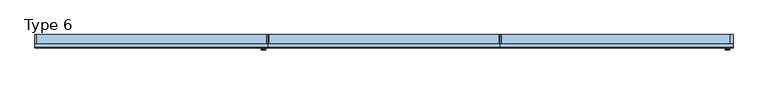
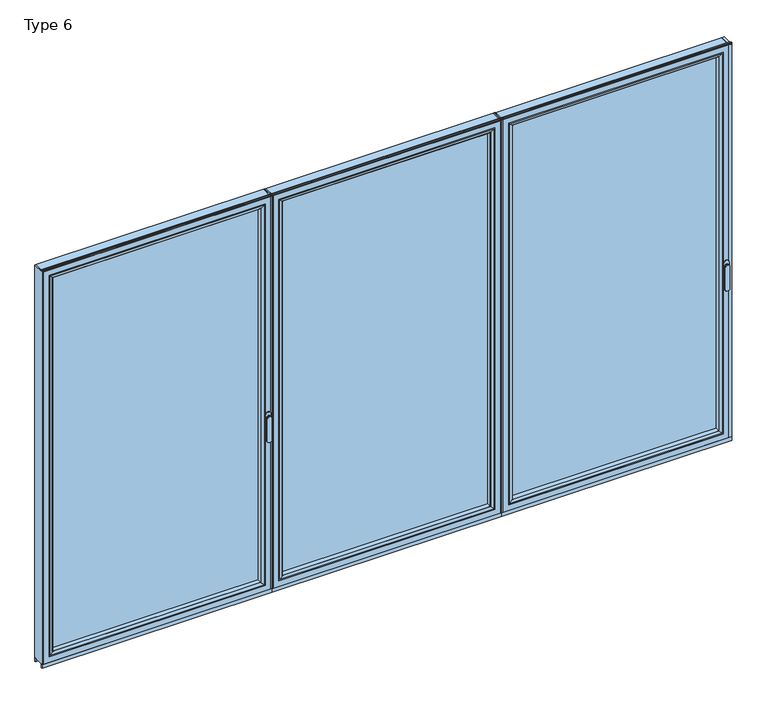
"""IFC4 building model written with IfcOpenShell, lengths in millimetres: window geometry, Type 6."""

from ifc_helpers import new_model, si_unit, point, frame, frame_2d, origin, place, context, project, spatial, polyline, circle_curve, ellipse_curve, trimmed, segment, composite_curve, outline, extrude, source, transform, mapped, element, save
from ifc_brep_helpers import plane_surface, cylinder_surface, extruded_surface, advanced_brep


def type_6_07e09eff(model_context):
    return source(origin(), model_context, "Body", "SolidModel", [
        advanced_brep(
        [(-2579.8552975, -73.5, 1050.0), (-2555.8780359, -73.5, 1050.0), (-2555.8780359, -76.8965533, 1050.0), (-2579.8552975, -76.8965533, 1050.0), (-2579.8552975, -84.5, 1050.0), (-2579.8552975, -84.5, 918.6867153), (-2555.8780359, -84.5, 918.6867153), (-2555.8780359, -84.5, 1050.0), (-2555.8780359, -76.8965533, 918.6867153), (-2579.8552975, -76.8965533, 918.6867153)],
        [
            (0, 1, circle_curve(frame((-2567.8666667, -73.5, 1050.0), z_axis=(0.0, 1.0, 0.0), x_axis=(1.0, 0.0, 0.0)), 11.9886308)),
            (1, 0, circle_curve(frame((-2567.8666667, -73.5, 1050.0), z_axis=(0.0, 1.0, 0.0), x_axis=(1.0, 0.0, 0.0)), 11.9886308)),
            (1, 2),
            (2, 3, circle_curve(frame((-2567.8666667, -76.8965533, 1050.0), z_axis=(0.0, 1.0, 0.0), x_axis=(1.0, 0.0, 0.0)), 11.9886308)),
            (3, 0),
            (3, 2, circle_curve(frame((-2567.8666667, -76.8965533, 1050.0), z_axis=(0.0, 1.0, 0.0), x_axis=(1.0, 0.0, 0.0)), 11.9886308)),
            (4, 5),
            (5, 6, ellipse_curve(frame((-2567.8666667, -84.5, 918.6867153), z_axis=(0.0, -1.0, 0.0), x_axis=(-1.0, 0.0, 0.0)), 11.9886308, 7.9050795)),
            (6, 7),
            (7, 4, circle_curve(frame((-2567.8666667, -84.5, 1050.0), z_axis=(0.0, -1.0, 0.0), x_axis=(1.0, 0.0, 0.0)), 11.9886308)),
            (2, 8),
            (8, 9, ellipse_curve(frame((-2567.8666667, -76.8965533, 918.6867153), z_axis=(0.0, 1.0, 0.0), x_axis=(-1.0, 0.0, 0.0)), 11.9886308, 7.9050795)),
            (9, 3),
            (4, 3),
            (9, 5),
            (8, 6),
            (2, 7),
        ],
        [
            plane_surface(frame((-2555.8780359, -73.5, 1050.0), z_axis=(0.0, 1.0, 0.0), x_axis=(0.0, 0.0, -1.0))),
            cylinder_surface(frame((-2567.8666667, -73.5, 1050.0), z_axis=(0.0, -1.0, 0.0), x_axis=(1.0, 0.0, 0.0)), 11.9886308),
            plane_surface(frame((-2579.8552975, -84.5, 928.3382074), z_axis=(0.0, -1.0, 0.0), x_axis=(0.0, 0.0, -1.0))),
            plane_surface(frame((-2579.8552975, -76.8965533, 928.3382074), z_axis=(0.0, 1.0, 0.0), x_axis=(0.0, 0.0, 1.0))),
            plane_surface(frame((-2579.8552975, -84.5, 1050.0), z_axis=(-1.0, 0.0, 0.0), x_axis=(0.0, 1.0, 0.0))),
            extruded_surface(trimmed(ellipse_curve(frame((-2567.8666667, -69.2931066, 918.6867153), z_axis=(0.0, -1.0, 0.0), x_axis=(-1.0, 0.0, 0.0)), 11.9886308, 7.9050795), [point((-2579.8552975, -69.2931066, 918.6867153))], [point((-2555.8780359, -69.2931066, 918.6867153))], True, "CARTESIAN"), (0.0, -7.603446699999992, 0.0), 7.603446699999992),
            plane_surface(frame((-2555.8780359, -84.5, 918.6867153), z_axis=(1.0, 0.0, 0.0), x_axis=(0.0, 1.0, 0.0))),
            cylinder_surface(frame((-2567.8666667, -76.8965533, 1050.0), z_axis=(0.0, -1.0, 0.0), x_axis=(1.0, 0.0, 0.0)), 11.9886308),
        ],
        [
            (0, [[1, 2]]),
            (1, [[-2, 3, 4, 5]]),
            (1, [[-1, -5, 6, -3]]),
            (2, [[7, 8, 9, 10]]),
            (3, [[11, 12, 13, -4]]),
            (4, [[-7, 14, -13, 15]]),
            (5, [[-8, -15, -12, 16]]),
            (6, [[-9, -16, -11, 17]]),
            (7, [[-10, -17, -6, -14]]),
        ],
    ),
        extrude(outline(composite_curve([segment(polyline([(1068.75, -2581.8666667), (1031.25, -2581.8666667)]), True, "CONTINUOUS"), segment(trimmed(circle_curve(frame_2d((1031.25, -2567.8666667)), 14.0), [point((1031.25, -2581.8666667))], [point((1031.25, -2553.8666667))], False, "CARTESIAN"), True, "CONTINUOUS"), segment(polyline([(1031.25, -2553.8666667), (1068.75, -2553.8666667)]), True, "CONTINUOUS"), segment(trimmed(circle_curve(frame_2d((1068.75, -2567.8666667)), 14.0), [point((1068.75, -2553.8666667))], [point((1068.75, -2581.8666667))], False, "CARTESIAN"), True, "CONTINUOUS")], self_intersect=False)), frame((0.0, -73.5, 0.0), z_axis=(0.0, 1.0, 0.0), x_axis=(0.0, 0.0, 1.0)), (0.0, 0.0, 1.0), 3.5),
        extrude(outline(polyline([(-3818.8, 0.0), (-3812.8, 0.0), (-3812.8, -70.0), (-3818.8, -70.0), (-3818.8, 0.0)])), frame((0.0, 0.0, 37.5), z_axis=(0.0, 0.0, 1.0), x_axis=(1.0, 0.0, 0.0)), (0.0, 0.0, 1.0), 2299.5),
        extrude(outline(polyline([(-2545.8666667, 0.0), (-2545.8666667, -70.0), (-2551.8666667, -70.0), (-2551.8666667, 0.0), (-2545.8666667, 0.0)])), frame((0.0, 0.0, 37.5), z_axis=(0.0, 0.0, 1.0), x_axis=(1.0, 0.0, 0.0)), (0.0, 0.0, 1.0), 2299.5),
        extrude(outline(polyline([(-3780.8, -13.999939), (-2583.8666667, -13.999939), (-2583.8666667, -37.9928974), (-3780.8, -37.9928974), (-3780.8, -13.999939)])), frame((0.0, 0.0, 69.5), z_axis=(0.0, 0.0, 1.0), x_axis=(1.0, 0.0, 0.0)), (0.0, 0.0, 1.0), 2235.5),
        advanced_brep(
        [(-2605.8662394, -64.5552044, 2283.0004272), (-2605.8662394, -37.9928974, 2283.0004272), (-2605.8662394, -37.9928974, 91.4995728), (-2605.8662394, -64.5552044, 91.4995728), (-2583.8666667, -37.9928974, 2305.0), (-2583.8666667, -37.9928974, 69.5), (-3780.8, -37.9928974, 69.5), (-3780.8, -37.9928974, 2305.0), (-3758.8004272, -37.9928974, 2283.0004272), (-3758.8004272, -37.9928974, 91.4995728), (-3758.8004272, -64.5552044, 91.4995728), (-2605.156696, -65.8045072, 2283.7099707), (-2605.156696, -65.8045072, 90.7900293), (-3759.5099707, -65.8045072, 90.7900293), (-2589.8666056, -70.0, 2299.000061), (-2589.8666056, -70.0, 75.499939), (-3774.800061, -70.0, 75.499939), (-3780.8, -70.0, 2305.0), (-3780.8, -70.0, 69.5), (-2583.8666667, -70.0, 69.5), (-2583.8666667, -70.0, 2305.0), (-3774.800061, -70.0, 2299.000061), (-3758.8004272, -64.5552044, 2283.0004272), (-3759.5099707, -65.8045072, 2283.7099707)],
        [
            (0, 1),
            (1, 2),
            (2, 3),
            (3, 0),
            (4, 5),
            (5, 6),
            (6, 7),
            (7, 4),
            (8, 9),
            (9, 2),
            (1, 8),
            (9, 10),
            (10, 3),
            (11, 0, ellipse_curve(frame((-2604.4116355, -64.5552044, 2284.4550312), z_axis=(0.7071067811865475, 0.0, -0.7071067811865475), x_axis=(0.7071067811865474, 0.0, 0.7071067811865476)), 2.0571207, 1.454604)),
            (3, 12, ellipse_curve(frame((-2604.4116355, -64.5552044, 90.0449688), z_axis=(0.7071067811865475, 0.0, 0.7071067811865475), x_axis=(-0.7071067811865474, 0.0, 0.7071067811865476)), 2.0571207, 1.454604)),
            (12, 11),
            (10, 13, ellipse_curve(frame((-3760.2550312, -64.5552044, 90.0449688), z_axis=(0.7071067811865475, 0.0, -0.7071067811865475), x_axis=(0.7071067811865476, 0.0, 0.7071067811865474)), 2.0571207, 1.454604)),
            (13, 12),
            (14, 11, ellipse_curve(frame((-2589.9305412, -40.2735922, 2298.9361254), z_axis=(0.7071067811865475, 0.0, -0.7071067811865475), x_axis=(0.7071067811865474, 0.0, 0.7071067811865476)), 42.0395863, 29.7264765)),
            (12, 15, ellipse_curve(frame((-2589.9305412, -40.2735922, 75.5638746), z_axis=(0.7071067811865475, 0.0, 0.7071067811865475), x_axis=(-0.7071067811865474, 0.0, 0.7071067811865476)), 42.0395863, 29.7264765)),
            (15, 14),
            (13, 16, ellipse_curve(frame((-3774.7361254, -40.2735922, 75.5638746), z_axis=(0.7071067811865475, 0.0, -0.7071067811865475), x_axis=(0.7071067811865476, 0.0, 0.7071067811865474)), 42.0395863, 29.7264765)),
            (16, 15),
            (17, 18),
            (18, 19),
            (19, 20),
            (20, 17),
            (16, 21),
            (21, 14),
            (4, 20),
            (19, 5),
            (18, 6),
            (8, 22),
            (22, 10),
            (22, 23, ellipse_curve(frame((-3760.2550312, -64.5552044, 2284.4550312), z_axis=(-0.7071067811865475, 0.0, -0.7071067811865475), x_axis=(0.7071067811865474, 0.0, -0.7071067811865476)), 2.0571207, 1.454604)),
            (23, 13),
            (23, 21, ellipse_curve(frame((-3774.7361254, -40.2735922, 2298.9361254), z_axis=(-0.7071067811865475, 0.0, -0.7071067811865475), x_axis=(0.7071067811865474, 0.0, -0.7071067811865476)), 42.0395863, 29.7264765)),
            (17, 7),
            (0, 22),
            (11, 23),
        ],
        [
            plane_surface(frame((-2605.8662394, -37.9928974, 2283.0004272), z_axis=(-1.0, 0.0, 0.0), x_axis=(0.0, 0.0, -1.0))),
            plane_surface(frame((-3780.8, -37.9928974, 69.5), z_axis=(0.0, 1.0, 0.0), x_axis=(0.0, 0.0, 1.0))),
            plane_surface(frame((-2605.8662394, -37.9928974, 91.4995728), z_axis=(0.0, 0.0, 1.0), x_axis=(-1.0, 0.0, 0.0))),
            cylinder_surface(frame((-2604.4116355, -64.5552044, 2283.0004272), z_axis=(0.0, 0.0, 1.0), x_axis=(1.0, 0.0, 0.0)), 1.454604),
            cylinder_surface(frame((-2605.8662394, -64.5552044, 90.0449688), z_axis=(1.0, 0.0, 0.0), x_axis=(0.0, 0.0, -1.0)), 1.454604),
            cylinder_surface(frame((-2589.9305412, -40.2735922, 2283.0004272), z_axis=(0.0, 0.0, 1.0), x_axis=(1.0, 0.0, 0.0)), 29.7264765),
            cylinder_surface(frame((-2605.8662394, -40.2735922, 75.5638746), z_axis=(1.0, 0.0, 0.0), x_axis=(0.0, 0.0, -1.0)), 29.7264765),
            plane_surface(frame((-3774.800061, -70.0, 75.499939), z_axis=(0.0, -1.0, 0.0), x_axis=(0.0, 0.0, 1.0))),
            plane_surface(frame((-2583.8666667, -70.0, 2305.0), z_axis=(1.0, 0.0, 0.0), x_axis=(0.0, 0.0, -1.0))),
            plane_surface(frame((-2583.8666667, -70.0, 69.5), z_axis=(0.0, 0.0, -1.0), x_axis=(-1.0, 0.0, 0.0))),
            plane_surface(frame((-3758.8004272, -37.9928974, 91.4995728), z_axis=(1.0, 0.0, 0.0), x_axis=(0.0, 0.0, 1.0))),
            cylinder_surface(frame((-3760.2550312, -64.5552044, 91.4995728), z_axis=(0.0, 0.0, -1.0), x_axis=(-1.0, 0.0, 0.0)), 1.454604),
            cylinder_surface(frame((-3774.7361254, -40.2735922, 91.4995728), z_axis=(0.0, 0.0, -1.0), x_axis=(-1.0, 0.0, 0.0)), 29.7264765),
            plane_surface(frame((-3780.8, -70.0, 69.5), z_axis=(-1.0, 0.0, 0.0), x_axis=(0.0, 0.0, 1.0))),
            plane_surface(frame((-3758.8004272, -37.9928974, 2283.0004272), z_axis=(0.0, 0.0, -1.0), x_axis=(1.0, 0.0, 0.0))),
            cylinder_surface(frame((-3758.8004272, -64.5552044, 2284.4550312), z_axis=(-1.0, 0.0, 0.0), x_axis=(0.0, 0.0, 1.0)), 1.454604),
            cylinder_surface(frame((-3758.8004272, -40.2735922, 2298.9361254), z_axis=(-1.0, 0.0, 0.0), x_axis=(0.0, 0.0, 1.0)), 29.7264765),
            plane_surface(frame((-3780.8, -70.0, 2305.0), z_axis=(0.0, 0.0, 1.0), x_axis=(1.0, 0.0, 0.0))),
        ],
        [
            (0, [[1, 2, 3, 4]]),
            (1, [[5, 6, 7, 8], [9, 10, -2, 11]]),
            (2, [[-3, -10, 12, 13]]),
            (3, [[14, -4, 15, 16]]),
            (4, [[-15, -13, 17, 18]]),
            (5, [[19, -16, 20, 21]]),
            (6, [[-20, -18, 22, 23]]),
            (7, [[24, 25, 26, 27], [-21, -23, 28, 29]]),
            (8, [[30, -26, 31, -5]]),
            (9, [[-31, -25, 32, -6]]),
            (10, [[-12, -9, 33, 34]]),
            (11, [[-17, -34, 35, 36]]),
            (12, [[-22, -36, 37, -28]]),
            (13, [[-32, -24, 38, -7]]),
            (14, [[-33, -11, -1, 39]]),
            (15, [[-35, -39, -14, 40]]),
            (16, [[-37, -40, -19, -29]]),
            (17, [[-38, -27, -30, -8]]),
        ],
    ),
        advanced_brep(
        [(-3812.8, -70.0, 2337.0), (-3812.8, 0.0, 2337.0), (-3812.8, 0.0, 37.5), (-3812.8, -70.0, 37.5), (-2551.8666667, 0.0, 37.5), (-2551.8666667, -70.0, 37.5), (-2551.8666667, 0.0, 2337.0), (-2601.3658567, 0.0, 86.9991901), (-2601.3658567, 0.0, 2287.5008099), (-3763.3008099, 0.0, 2287.5008099), (-3763.3008099, 0.0, 86.9991901), (-2551.8666667, -70.0, 2337.0), (-3780.8, -70.0, 69.5), (-3780.8, -70.0, 2305.0), (-2583.8666667, -70.0, 2305.0), (-2583.8666667, -70.0, 69.5), (-3780.8, -13.999939, 2305.0), (-3780.8, -13.999939, 69.5), (-2583.8666667, -13.999939, 69.5), (-2583.8666667, -13.999939, 2305.0), (-3758.8004272, -13.999939, 91.4995728), (-3758.8004272, -13.999939, 2283.0004272), (-2605.8662394, -13.999939, 2283.0004272), (-2605.8662394, -13.999939, 91.4995728), (-3758.8004272, -4.5004435, 2283.0004272), (-3758.8004272, -4.5004435, 91.4995728), (-2605.8662394, -4.5004435, 91.4995728), (-2605.8662394, -4.5004435, 2283.0004272)],
        [
            (0, 1),
            (1, 2),
            (2, 3),
            (3, 0),
            (2, 4),
            (4, 5),
            (5, 3),
            (1, 6),
            (6, 4),
            (7, 8),
            (8, 9),
            (9, 10),
            (10, 7),
            (6, 11),
            (11, 5),
            (11, 0),
            (12, 13),
            (13, 14),
            (14, 15),
            (15, 12),
            (16, 13),
            (12, 17),
            (17, 16),
            (15, 18),
            (18, 17),
            (14, 19),
            (19, 18),
            (19, 16),
            (20, 21),
            (21, 22),
            (22, 23),
            (23, 20),
            (24, 21),
            (20, 25),
            (25, 24),
            (23, 26),
            (26, 25),
            (22, 27),
            (27, 26),
            (10, 25, ellipse_curve(frame((-3763.3008099, -4.5004435, 86.9991901), z_axis=(0.7071067811865475, 0.0, -0.7071067811865475), x_axis=(-0.7071067811865476, 0.0, -0.7071067811865474)), 6.3645023, 4.5003827)),
            (26, 7, ellipse_curve(frame((-2601.3658567, -4.5004435, 86.9991901), z_axis=(-0.7071067811865475, 0.0, -0.7071067811865475), x_axis=(-0.7071067811865476, 0.0, 0.7071067811865474)), 6.3645023, 4.5003827)),
            (9, 24, ellipse_curve(frame((-3763.3008099, -4.5004435, 2287.5008099), z_axis=(-0.7071067811865475, 0.0, -0.7071067811865475), x_axis=(-0.7071067811865474, 0.0, 0.7071067811865476)), 6.3645023, 4.5003827)),
            (27, 8, ellipse_curve(frame((-2601.3658567, -4.5004435, 2287.5008099), z_axis=(0.7071067811865475, 0.0, -0.7071067811865475), x_axis=(-0.7071067811865474, 0.0, -0.7071067811865476)), 6.3645023, 4.5003827)),
            (24, 27),
        ],
        [
            plane_surface(frame((-3812.8, 0.0, 2337.0), z_axis=(-1.0, 0.0, 0.0), x_axis=(0.0, 0.0, -1.0))),
            plane_surface(frame((-3812.8, 0.0, 37.5), z_axis=(0.0, 0.0, -1.0), x_axis=(1.0, 0.0, 0.0))),
            plane_surface(frame((-3763.3008099, 0.0, 2287.5008099), z_axis=(0.0, 1.0, 0.0), x_axis=(0.0, 0.0, -1.0))),
            plane_surface(frame((-2551.8666667, 0.0, 37.5), z_axis=(1.0, 0.0, 0.0), x_axis=(0.0, 0.0, 1.0))),
            plane_surface(frame((-3812.8, -70.0, 2337.0), z_axis=(0.0, -1.0, 0.0), x_axis=(0.0, 0.0, -1.0))),
            plane_surface(frame((-3780.8, -70.0, 2305.0), z_axis=(1.0, 0.0, 0.0), x_axis=(0.0, 0.0, -1.0))),
            plane_surface(frame((-3780.8, -70.0, 69.5), z_axis=(0.0, 0.0, 1.0), x_axis=(1.0, 0.0, 0.0))),
            plane_surface(frame((-2583.8666667, -70.0, 69.5), z_axis=(-1.0, 0.0, 0.0), x_axis=(0.0, 0.0, 1.0))),
            plane_surface(frame((-3780.8, -13.999939, 2305.0), z_axis=(0.0, -1.0, 0.0), x_axis=(0.0, 0.0, -1.0))),
            plane_surface(frame((-3758.8004272, -13.999939, 2283.0004272), z_axis=(1.0, 0.0, 0.0), x_axis=(0.0, 0.0, -1.0))),
            plane_surface(frame((-3758.8004272, -13.999939, 91.4995728), z_axis=(0.0, 0.0, 1.0), x_axis=(1.0, 0.0, 0.0))),
            plane_surface(frame((-2605.8662394, -13.999939, 91.4995728), z_axis=(-1.0, 0.0, 0.0), x_axis=(0.0, 0.0, 1.0))),
            cylinder_surface(frame((-3818.8, -4.5004435, 86.9991901), z_axis=(-1.0, 0.0, 0.0), x_axis=(0.0, -1.0, 0.0)), 4.5003827),
            cylinder_surface(frame((-3763.3008099, -4.5004435, 2343.0), z_axis=(0.0, 0.0, 1.0), x_axis=(0.0, -1.0, 0.0)), 4.5003827),
            cylinder_surface(frame((-2601.3658567, -4.5004435, 31.5), z_axis=(0.0, 0.0, -1.0), x_axis=(0.0, -1.0, 0.0)), 4.5003827),
            plane_surface(frame((-2551.8666667, 0.0, 2337.0), z_axis=(0.0, 0.0, 1.0), x_axis=(-1.0, 0.0, 0.0))),
            plane_surface(frame((-2583.8666667, -70.0, 2305.0), z_axis=(0.0, 0.0, -1.0), x_axis=(-1.0, 0.0, 0.0))),
            plane_surface(frame((-2605.8662394, -13.999939, 2283.0004272), z_axis=(0.0, 0.0, -1.0), x_axis=(-1.0, 0.0, 0.0))),
            cylinder_surface(frame((-2545.8666667, -4.5004435, 2287.5008099), z_axis=(1.0, 0.0, 0.0), x_axis=(0.0, -1.0, 0.0)), 4.5003827),
        ],
        [
            (0, [[1, 2, 3, 4]]),
            (1, [[-3, 5, 6, 7]]),
            (2, [[-2, 8, 9, -5], [10, 11, 12, 13]]),
            (3, [[-6, -9, 14, 15]]),
            (4, [[-15, 16, -4, -7], [17, 18, 19, 20]]),
            (5, [[21, -17, 22, 23]]),
            (6, [[-22, -20, 24, 25]]),
            (7, [[-24, -19, 26, 27]]),
            (8, [[-27, 28, -23, -25], [29, 30, 31, 32]]),
            (9, [[33, -29, 34, 35]]),
            (10, [[-34, -32, 36, 37]]),
            (11, [[-36, -31, 38, 39]]),
            (12, [[40, -37, 41, -13]]),
            (13, [[42, -35, -40, -12]]),
            (14, [[-41, -39, 43, -10]]),
            (15, [[-14, -8, -1, -16]]),
            (16, [[-26, -18, -21, -28]]),
            (17, [[-38, -30, -33, 44]]),
            (18, [[-43, -44, -42, -11]]),
        ],
    ),
        extrude(outline(polyline([(-3818.8, -7.6000076), (-3818.8, 0.0), (-2545.8666667, 0.0), (-2545.8666667, -7.6000076), (-3818.8, -7.6000076)])), frame((0.0, 0.0, 15.4995117), z_axis=(0.0, 0.0, 1.0), x_axis=(1.0, 0.0, 0.0)), (0.0, 0.0, 1.0), 22.0004883),
        extrude(outline(polyline([(-3818.8, -70.0), (-3818.8, -62.2757497), (-2545.8666667, -62.2757497), (-2545.8666667, -70.0), (-3818.8, -70.0)])), frame((0.0, 0.0, 15.4995117), z_axis=(0.0, 0.0, 1.0), x_axis=(1.0, 0.0, 0.0)), (0.0, 0.0, 1.0), 22.0004883),
        extrude(outline(composite_curve([segment(polyline([(-52.044326, 2339.1400778), (-52.044326, 2337.0), (-70.0, 2337.0), (-71.8735116, 2343.9547971)]), True, "CONTINUOUS"), segment(trimmed(circle_curve(frame_2d((-69.9423544, 2344.4750201)), 2.0), [point((-71.8735116, 2343.9547971))], [point((-71.8738669, 2344.9939222))], False, "CARTESIAN"), True, "CONTINUOUS"), segment(polyline([(-71.8738669, 2344.9939222), (-70.8937897, 2348.6420698), (-70.0, 2348.6420698), (-70.0, 2342.963961), (-68.6363596, 2339.1400778), (-52.044326, 2339.1400778)]), True, "CONTINUOUS")], self_intersect=False)), frame((-3818.8, 0.0, 0.0), z_axis=(1.0, 0.0, 0.0), x_axis=(0.0, 1.0, 0.0)), (0.0, 0.0, 1.0), 1272.9333333),
        advanced_brep(
        [(-42.2886308, -73.5, 1050.0), (-18.3113692, -73.5, 1050.0), (-18.3113692, -76.8965533, 1050.0), (-42.2886308, -76.8965533, 1050.0), (-42.2886308, -84.5, 1050.0), (-42.2886308, -84.5, 918.6867153), (-18.3113692, -84.5, 918.6867153), (-18.3113692, -84.5, 1050.0), (-18.3113692, -76.8965533, 918.6867153), (-42.2886308, -76.8965533, 918.6867153)],
        [
            (0, 1, circle_curve(frame((-30.3, -73.5, 1050.0), z_axis=(0.0, 1.0, 0.0), x_axis=(1.0, 0.0, 0.0)), 11.9886308)),
            (1, 0, circle_curve(frame((-30.3, -73.5, 1050.0), z_axis=(0.0, 1.0, 0.0), x_axis=(1.0, 0.0, 0.0)), 11.9886308)),
            (1, 2),
            (2, 3, circle_curve(frame((-30.3, -76.8965533, 1050.0), z_axis=(0.0, 1.0, 0.0), x_axis=(1.0, 0.0, 0.0)), 11.9886308)),
            (3, 0),
            (3, 2, circle_curve(frame((-30.3, -76.8965533, 1050.0), z_axis=(0.0, 1.0, 0.0), x_axis=(1.0, 0.0, 0.0)), 11.9886308)),
            (4, 5),
            (5, 6, ellipse_curve(frame((-30.3, -84.5, 918.6867153), z_axis=(0.0, -1.0, 0.0), x_axis=(-1.0, 0.0, 0.0)), 11.9886308, 7.9050795)),
            (6, 7),
            (7, 4, circle_curve(frame((-30.3, -84.5, 1050.0), z_axis=(0.0, -1.0, 0.0), x_axis=(1.0, 0.0, 0.0)), 11.9886308)),
            (2, 8),
            (8, 9, ellipse_curve(frame((-30.3, -76.8965533, 918.6867153), z_axis=(0.0, 1.0, 0.0), x_axis=(-1.0, 0.0, 0.0)), 11.9886308, 7.9050795)),
            (9, 3),
            (4, 3),
            (9, 5),
            (8, 6),
            (2, 7),
        ],
        [
            plane_surface(frame((-18.3113692, -73.5, 1050.0), z_axis=(0.0, 1.0, 0.0), x_axis=(0.0, 0.0, -1.0))),
            cylinder_surface(frame((-30.3, -73.5, 1050.0), z_axis=(0.0, -1.0, 0.0), x_axis=(1.0, 0.0, 0.0)), 11.9886308),
            plane_surface(frame((-42.2886308, -84.5, 928.3382074), z_axis=(0.0, -1.0, 0.0), x_axis=(0.0, 0.0, -1.0))),
            plane_surface(frame((-42.2886308, -76.8965533, 928.3382074), z_axis=(0.0, 1.0, 0.0), x_axis=(0.0, 0.0, 1.0))),
            plane_surface(frame((-42.2886308, -84.5, 1050.0), z_axis=(-1.0, 0.0, 0.0), x_axis=(0.0, 1.0, 0.0))),
            extruded_surface(trimmed(ellipse_curve(frame((-30.3, -69.2931066, 918.6867153), z_axis=(0.0, -1.0, 0.0), x_axis=(-1.0, 0.0, 0.0)), 11.9886308, 7.9050795), [point((-42.2886308, -69.2931066, 918.6867153))], [point((-18.3113692, -69.2931066, 918.6867153))], True, "CARTESIAN"), (0.0, -7.603446699999992, 0.0), 7.603446699999992),
            plane_surface(frame((-18.3113692, -84.5, 918.6867153), z_axis=(1.0, 0.0, 0.0), x_axis=(0.0, 1.0, 0.0))),
            cylinder_surface(frame((-30.3, -76.8965533, 1050.0), z_axis=(0.0, -1.0, 0.0), x_axis=(1.0, 0.0, 0.0)), 11.9886308),
        ],
        [
            (0, [[1, 2]]),
            (1, [[-2, 3, 4, 5]]),
            (1, [[-1, -5, 6, -3]]),
            (2, [[7, 8, 9, 10]]),
            (3, [[11, 12, 13, -4]]),
            (4, [[-7, 14, -13, 15]]),
            (5, [[-8, -15, -12, 16]]),
            (6, [[-9, -16, -11, 17]]),
            (7, [[-10, -17, -6, -14]]),
        ],
    ),
        extrude(outline(composite_curve([segment(polyline([(1068.75, -44.3), (1031.25, -44.3)]), True, "CONTINUOUS"), segment(trimmed(circle_curve(frame_2d((1031.25, -30.3)), 14.0), [point((1031.25, -44.3))], [point((1031.25, -16.3))], False, "CARTESIAN"), True, "CONTINUOUS"), segment(polyline([(1031.25, -16.3), (1068.75, -16.3)]), True, "CONTINUOUS"), segment(trimmed(circle_curve(frame_2d((1068.75, -30.3)), 14.0), [point((1068.75, -16.3))], [point((1068.75, -44.3))], False, "CARTESIAN"), True, "CONTINUOUS")], self_intersect=False)), frame((0.0, -73.5, 0.0), z_axis=(0.0, 1.0, 0.0), x_axis=(0.0, 0.0, 1.0)), (0.0, 0.0, 1.0), 3.5),
        extrude(outline(polyline([(-1272.9333333, 0.0), (-1266.9333333, 0.0), (-1266.9333333, -70.0), (-1272.9333333, -70.0), (-1272.9333333, 0.0)])), frame((0.0, 0.0, 37.5), z_axis=(0.0, 0.0, 1.0), x_axis=(1.0, 0.0, 0.0)), (0.0, 0.0, 1.0), 2299.5),
        extrude(outline(polyline([(0.0, 0.0), (0.0, -70.0), (-14.3, -70.0), (-14.3, 0.0), (0.0, 0.0)])), frame((0.0, 0.0, 37.5), z_axis=(0.0, 0.0, 1.0), x_axis=(1.0, 0.0, 0.0)), (0.0, 0.0, 1.0), 2299.5),
        extrude(outline(polyline([(-1234.9333333, -13.999939), (-46.3, -13.999939), (-46.3, -37.9928974), (-1234.9333333, -37.9928974), (-1234.9333333, -13.999939)])), frame((0.0, 0.0, 69.5), z_axis=(0.0, 0.0, 1.0), x_axis=(1.0, 0.0, 0.0)), (0.0, 0.0, 1.0), 2235.5),
        advanced_brep(
        [(-68.2995728, -64.5552044, 2283.0004272), (-68.2995728, -37.9928974, 2283.0004272), (-68.2995728, -37.9928974, 91.4995728), (-68.2995728, -64.5552044, 91.4995728), (-46.3, -37.9928974, 2305.0), (-46.3, -37.9928974, 69.5), (-1234.9333333, -37.9928974, 69.5), (-1234.9333333, -37.9928974, 2305.0), (-1212.9337606, -37.9928974, 2283.0004272), (-1212.9337606, -37.9928974, 91.4995728), (-1212.9337606, -64.5552044, 91.4995728), (-67.5900293, -65.8045072, 2283.7099707), (-67.5900293, -65.8045072, 90.7900293), (-1213.643304, -65.8045072, 90.7900293), (-52.299939, -70.0, 2299.000061), (-52.299939, -70.0, 75.499939), (-1228.9333944, -70.0, 75.499939), (-1234.9333333, -70.0, 2305.0), (-1234.9333333, -70.0, 69.5), (-46.3, -70.0, 69.5), (-46.3, -70.0, 2305.0), (-1228.9333944, -70.0, 2299.000061), (-1212.9337606, -64.5552044, 2283.0004272), (-1213.643304, -65.8045072, 2283.7099707)],
        [
            (0, 1),
            (1, 2),
            (2, 3),
            (3, 0),
            (4, 5),
            (5, 6),
            (6, 7),
            (7, 4),
            (8, 9),
            (9, 2),
            (1, 8),
            (9, 10),
            (10, 3),
            (11, 0, ellipse_curve(frame((-66.8449688, -64.5552044, 2284.4550312), z_axis=(0.7071067811865475, 0.0, -0.7071067811865475), x_axis=(0.7071067811865474, 0.0, 0.7071067811865476)), 2.0571207, 1.454604)),
            (3, 12, ellipse_curve(frame((-66.8449688, -64.5552044, 90.0449688), z_axis=(0.7071067811865475, 0.0, 0.7071067811865475), x_axis=(-0.7071067811865474, 0.0, 0.7071067811865476)), 2.0571207, 1.454604)),
            (12, 11),
            (10, 13, ellipse_curve(frame((-1214.3883645, -64.5552044, 90.0449688), z_axis=(0.7071067811865475, 0.0, -0.7071067811865475), x_axis=(0.7071067811865476, 0.0, 0.7071067811865474)), 2.0571207, 1.454604)),
            (13, 12),
            (14, 11, ellipse_curve(frame((-52.3638746, -40.2735922, 2298.9361254), z_axis=(0.7071067811865475, 0.0, -0.7071067811865475), x_axis=(0.7071067811865474, 0.0, 0.7071067811865476)), 42.0395863, 29.7264765)),
            (12, 15, ellipse_curve(frame((-52.3638746, -40.2735922, 75.5638746), z_axis=(0.7071067811865475, 0.0, 0.7071067811865475), x_axis=(-0.7071067811865474, 0.0, 0.7071067811865476)), 42.0395863, 29.7264765)),
            (15, 14),
            (13, 16, ellipse_curve(frame((-1228.8694588, -40.2735922, 75.5638746), z_axis=(0.7071067811865475, 0.0, -0.7071067811865475), x_axis=(0.7071067811865476, 0.0, 0.7071067811865474)), 42.0395863, 29.7264765)),
            (16, 15),
            (17, 18),
            (18, 19),
            (19, 20),
            (20, 17),
            (16, 21),
            (21, 14),
            (4, 20),
            (19, 5),
            (18, 6),
            (8, 22),
            (22, 10),
            (22, 23, ellipse_curve(frame((-1214.3883645, -64.5552044, 2284.4550312), z_axis=(-0.7071067811865475, 0.0, -0.7071067811865475), x_axis=(0.7071067811865474, 0.0, -0.7071067811865476)), 2.0571207, 1.454604)),
            (23, 13),
            (23, 21, ellipse_curve(frame((-1228.8694588, -40.2735922, 2298.9361254), z_axis=(-0.7071067811865475, 0.0, -0.7071067811865475), x_axis=(0.7071067811865474, 0.0, -0.7071067811865476)), 42.0395863, 29.7264765)),
            (17, 7),
            (0, 22),
            (11, 23),
        ],
        [
            plane_surface(frame((-68.2995728, -37.9928974, 2283.0004272), z_axis=(-1.0, 0.0, 0.0), x_axis=(0.0, 0.0, -1.0))),
            plane_surface(frame((-1234.9333333, -37.9928974, 69.5), z_axis=(0.0, 1.0, 0.0), x_axis=(0.0, 0.0, 1.0))),
            plane_surface(frame((-68.2995728, -37.9928974, 91.4995728), z_axis=(0.0, 0.0, 1.0), x_axis=(-1.0, 0.0, 0.0))),
            cylinder_surface(frame((-66.8449688, -64.5552044, 2283.0004272), z_axis=(0.0, 0.0, 1.0), x_axis=(1.0, 0.0, 0.0)), 1.454604),
            cylinder_surface(frame((-68.2995728, -64.5552044, 90.0449688), z_axis=(1.0, 0.0, 0.0), x_axis=(0.0, 0.0, -1.0)), 1.454604),
            cylinder_surface(frame((-52.3638746, -40.2735922, 2283.0004272), z_axis=(0.0, 0.0, 1.0), x_axis=(1.0, 0.0, 0.0)), 29.7264765),
            cylinder_surface(frame((-68.2995728, -40.2735922, 75.5638746), z_axis=(1.0, 0.0, 0.0), x_axis=(0.0, 0.0, -1.0)), 29.7264765),
            plane_surface(frame((-1228.9333944, -70.0, 75.499939), z_axis=(0.0, -1.0, 0.0), x_axis=(0.0, 0.0, 1.0))),
            plane_surface(frame((-46.3, -70.0, 2305.0), z_axis=(1.0, 0.0, 0.0), x_axis=(0.0, 0.0, -1.0))),
            plane_surface(frame((-46.3, -70.0, 69.5), z_axis=(0.0, 0.0, -1.0), x_axis=(-1.0, 0.0, 0.0))),
            plane_surface(frame((-1212.9337606, -37.9928974, 91.4995728), z_axis=(1.0, 0.0, 0.0), x_axis=(0.0, 0.0, 1.0))),
            cylinder_surface(frame((-1214.3883645, -64.5552044, 91.4995728), z_axis=(0.0, 0.0, -1.0), x_axis=(-1.0, 0.0, 0.0)), 1.454604),
            cylinder_surface(frame((-1228.8694588, -40.2735922, 91.4995728), z_axis=(0.0, 0.0, -1.0), x_axis=(-1.0, 0.0, 0.0)), 29.7264765),
            plane_surface(frame((-1234.9333333, -70.0, 69.5), z_axis=(-1.0, 0.0, 0.0), x_axis=(0.0, 0.0, 1.0))),
            plane_surface(frame((-1212.9337606, -37.9928974, 2283.0004272), z_axis=(0.0, 0.0, -1.0), x_axis=(1.0, 0.0, 0.0))),
            cylinder_surface(frame((-1212.9337606, -64.5552044, 2284.4550312), z_axis=(-1.0, 0.0, 0.0), x_axis=(0.0, 0.0, 1.0)), 1.454604),
            cylinder_surface(frame((-1212.9337606, -40.2735922, 2298.9361254), z_axis=(-1.0, 0.0, 0.0), x_axis=(0.0, 0.0, 1.0)), 29.7264765),
            plane_surface(frame((-1234.9333333, -70.0, 2305.0), z_axis=(0.0, 0.0, 1.0), x_axis=(1.0, 0.0, 0.0))),
        ],
        [
            (0, [[1, 2, 3, 4]]),
            (1, [[5, 6, 7, 8], [9, 10, -2, 11]]),
            (2, [[-3, -10, 12, 13]]),
            (3, [[14, -4, 15, 16]]),
            (4, [[-15, -13, 17, 18]]),
            (5, [[19, -16, 20, 21]]),
            (6, [[-20, -18, 22, 23]]),
            (7, [[24, 25, 26, 27], [-21, -23, 28, 29]]),
            (8, [[30, -26, 31, -5]]),
            (9, [[-31, -25, 32, -6]]),
            (10, [[-12, -9, 33, 34]]),
            (11, [[-17, -34, 35, 36]]),
            (12, [[-22, -36, 37, -28]]),
            (13, [[-32, -24, 38, -7]]),
            (14, [[-33, -11, -1, 39]]),
            (15, [[-35, -39, -14, 40]]),
            (16, [[-37, -40, -19, -29]]),
            (17, [[-38, -27, -30, -8]]),
        ],
    ),
        advanced_brep(
        [(-1266.9333333, -70.0, 2337.0), (-1266.9333333, 0.0, 2337.0), (-1266.9333333, 0.0, 37.5), (-1266.9333333, -70.0, 37.5), (-14.3, 0.0, 37.5), (-14.3, -70.0, 37.5), (-14.3, 0.0, 2337.0), (-63.7991901, 0.0, 86.9991901), (-63.7991901, 0.0, 2287.5008099), (-1217.4341433, 0.0, 2287.5008099), (-1217.4341433, 0.0, 86.9991901), (-14.3, -70.0, 2337.0), (-1234.9333333, -70.0, 69.5), (-1234.9333333, -70.0, 2305.0), (-46.3, -70.0, 2305.0), (-46.3, -70.0, 69.5), (-1234.9333333, -13.999939, 2305.0), (-1234.9333333, -13.999939, 69.5), (-46.3, -13.999939, 69.5), (-46.3, -13.999939, 2305.0), (-1212.9337606, -13.999939, 91.4995728), (-1212.9337606, -13.999939, 2283.0004272), (-68.2995728, -13.999939, 2283.0004272), (-68.2995728, -13.999939, 91.4995728), (-1212.9337606, -4.5004435, 2283.0004272), (-1212.9337606, -4.5004435, 91.4995728), (-68.2995728, -4.5004435, 91.4995728), (-68.2995728, -4.5004435, 2283.0004272)],
        [
            (0, 1),
            (1, 2),
            (2, 3),
            (3, 0),
            (2, 4),
            (4, 5),
            (5, 3),
            (1, 6),
            (6, 4),
            (7, 8),
            (8, 9),
            (9, 10),
            (10, 7),
            (6, 11),
            (11, 5),
            (11, 0),
            (12, 13),
            (13, 14),
            (14, 15),
            (15, 12),
            (16, 13),
            (12, 17),
            (17, 16),
            (15, 18),
            (18, 17),
            (14, 19),
            (19, 18),
            (19, 16),
            (20, 21),
            (21, 22),
            (22, 23),
            (23, 20),
            (24, 21),
            (20, 25),
            (25, 24),
            (23, 26),
            (26, 25),
            (22, 27),
            (27, 26),
            (10, 25, ellipse_curve(frame((-1217.4341433, -4.5004435, 86.9991901), z_axis=(0.7071067811865475, 0.0, -0.7071067811865475), x_axis=(-0.7071067811865476, 0.0, -0.7071067811865474)), 6.3645023, 4.5003827)),
            (26, 7, ellipse_curve(frame((-63.7991901, -4.5004435, 86.9991901), z_axis=(-0.7071067811865475, 0.0, -0.7071067811865475), x_axis=(-0.7071067811865476, 0.0, 0.7071067811865474)), 6.3645023, 4.5003827)),
            (9, 24, ellipse_curve(frame((-1217.4341433, -4.5004435, 2287.5008099), z_axis=(-0.7071067811865475, 0.0, -0.7071067811865475), x_axis=(-0.7071067811865474, 0.0, 0.7071067811865476)), 6.3645023, 4.5003827)),
            (27, 8, ellipse_curve(frame((-63.7991901, -4.5004435, 2287.5008099), z_axis=(0.7071067811865475, 0.0, -0.7071067811865475), x_axis=(-0.7071067811865474, 0.0, -0.7071067811865476)), 6.3645023, 4.5003827)),
            (24, 27),
        ],
        [
            plane_surface(frame((-1266.9333333, 0.0, 2337.0), z_axis=(-1.0, 0.0, 0.0), x_axis=(0.0, 0.0, -1.0))),
            plane_surface(frame((-1266.9333333, 0.0, 37.5), z_axis=(0.0, 0.0, -1.0), x_axis=(1.0, 0.0, 0.0))),
            plane_surface(frame((-1217.4341433, 0.0, 2287.5008099), z_axis=(0.0, 1.0, 0.0), x_axis=(0.0, 0.0, -1.0))),
            plane_surface(frame((-14.3, 0.0, 37.5), z_axis=(1.0, 0.0, 0.0), x_axis=(0.0, 0.0, 1.0))),
            plane_surface(frame((-1266.9333333, -70.0, 2337.0), z_axis=(0.0, -1.0, 0.0), x_axis=(0.0, 0.0, -1.0))),
            plane_surface(frame((-1234.9333333, -70.0, 2305.0), z_axis=(1.0, 0.0, 0.0), x_axis=(0.0, 0.0, -1.0))),
            plane_surface(frame((-1234.9333333, -70.0, 69.5), z_axis=(0.0, 0.0, 1.0), x_axis=(1.0, 0.0, 0.0))),
            plane_surface(frame((-46.3, -70.0, 69.5), z_axis=(-1.0, 0.0, 0.0), x_axis=(0.0, 0.0, 1.0))),
            plane_surface(frame((-1234.9333333, -13.999939, 2305.0), z_axis=(0.0, -1.0, 0.0), x_axis=(0.0, 0.0, -1.0))),
            plane_surface(frame((-1212.9337606, -13.999939, 2283.0004272), z_axis=(1.0, 0.0, 0.0), x_axis=(0.0, 0.0, -1.0))),
            plane_surface(frame((-1212.9337606, -13.999939, 91.4995728), z_axis=(0.0, 0.0, 1.0), x_axis=(1.0, 0.0, 0.0))),
            plane_surface(frame((-68.2995728, -13.999939, 91.4995728), z_axis=(-1.0, 0.0, 0.0), x_axis=(0.0, 0.0, 1.0))),
            cylinder_surface(frame((-1272.9333333, -4.5004435, 86.9991901), z_axis=(-1.0, 0.0, 0.0), x_axis=(0.0, -1.0, 0.0)), 4.5003827),
            cylinder_surface(frame((-1217.4341433, -4.5004435, 2343.0), z_axis=(0.0, 0.0, 1.0), x_axis=(0.0, -1.0, 0.0)), 4.5003827),
            cylinder_surface(frame((-63.7991901, -4.5004435, 31.5), z_axis=(0.0, 0.0, -1.0), x_axis=(0.0, -1.0, 0.0)), 4.5003827),
            plane_surface(frame((-14.3, 0.0, 2337.0), z_axis=(0.0, 0.0, 1.0), x_axis=(-1.0, 0.0, 0.0))),
            plane_surface(frame((-46.3, -70.0, 2305.0), z_axis=(0.0, 0.0, -1.0), x_axis=(-1.0, 0.0, 0.0))),
            plane_surface(frame((-68.2995728, -13.999939, 2283.0004272), z_axis=(0.0, 0.0, -1.0), x_axis=(-1.0, 0.0, 0.0))),
            cylinder_surface(frame((-8.3, -4.5004435, 2287.5008099), z_axis=(1.0, 0.0, 0.0), x_axis=(0.0, -1.0, 0.0)), 4.5003827),
        ],
        [
            (0, [[1, 2, 3, 4]]),
            (1, [[-3, 5, 6, 7]]),
            (2, [[-2, 8, 9, -5], [10, 11, 12, 13]]),
            (3, [[-6, -9, 14, 15]]),
            (4, [[-15, 16, -4, -7], [17, 18, 19, 20]]),
            (5, [[21, -17, 22, 23]]),
            (6, [[-22, -20, 24, 25]]),
            (7, [[-24, -19, 26, 27]]),
            (8, [[-27, 28, -23, -25], [29, 30, 31, 32]]),
            (9, [[33, -29, 34, 35]]),
            (10, [[-34, -32, 36, 37]]),
            (11, [[-36, -31, 38, 39]]),
            (12, [[40, -37, 41, -13]]),
            (13, [[42, -35, -40, -12]]),
            (14, [[-41, -39, 43, -10]]),
            (15, [[-14, -8, -1, -16]]),
            (16, [[-26, -18, -21, -28]]),
            (17, [[-38, -30, -33, 44]]),
            (18, [[-43, -44, -42, -11]]),
        ],
    ),
        extrude(outline(polyline([(-1272.9333333, -7.6000076), (-1272.9333333, 0.0), (0.0, 0.0), (0.0, -7.6000076), (-1272.9333333, -7.6000076)])), frame((0.0, 0.0, 15.4995117), z_axis=(0.0, 0.0, 1.0), x_axis=(1.0, 0.0, 0.0)), (0.0, 0.0, 1.0), 22.0004883),
        extrude(outline(polyline([(-1272.9333333, -70.0), (-1272.9333333, -62.2757497), (0.0, -62.2757497), (0.0, -70.0), (-1272.9333333, -70.0)])), frame((0.0, 0.0, 15.4995117), z_axis=(0.0, 0.0, 1.0), x_axis=(1.0, 0.0, 0.0)), (0.0, 0.0, 1.0), 22.0004883),
        extrude(outline(composite_curve([segment(polyline([(-52.044326, 2339.1400778), (-52.044326, 2337.0), (-70.0, 2337.0), (-71.8735116, 2343.9547971)]), True, "CONTINUOUS"), segment(trimmed(circle_curve(frame_2d((-69.9423544, 2344.4750201)), 2.0), [point((-71.8735116, 2343.9547971))], [point((-71.8738669, 2344.9939222))], False, "CARTESIAN"), True, "CONTINUOUS"), segment(polyline([(-71.8738669, 2344.9939222), (-70.8937897, 2348.6420698), (-70.0, 2348.6420698), (-70.0, 2342.963961), (-68.6363596, 2339.1400778), (-52.044326, 2339.1400778)]), True, "CONTINUOUS")], self_intersect=False)), frame((-1272.9333333, 0.0, 0.0), z_axis=(1.0, 0.0, 0.0), x_axis=(0.0, 1.0, 0.0)), (0.0, 0.0, 1.0), 1272.9333333),
        extrude(outline(polyline([(-1272.9333333, 0.0), (-1272.9333333, -70.0), (-1278.9333333, -70.0), (-1278.9333333, 0.0), (-1272.9333333, 0.0)])), frame((0.0, 0.0, 37.5), z_axis=(0.0, 0.0, 1.0), x_axis=(1.0, 0.0, 0.0)), (0.0, 0.0, 1.0), 2299.5),
        extrude(outline(polyline([(-2545.8666667, 0.0), (-2539.8666667, 0.0), (-2539.8666667, -70.0), (-2545.8666667, -70.0), (-2545.8666667, 0.0)])), frame((0.0, 0.0, 37.5), z_axis=(0.0, 0.0, 1.0), x_axis=(1.0, 0.0, 0.0)), (0.0, 0.0, 1.0), 2299.5),
        extrude(outline(polyline([(-1310.9333333, -13.999939), (-1310.9333333, -37.9928974), (-2507.8666667, -37.9928974), (-2507.8666667, -13.999939), (-1310.9333333, -13.999939)])), frame((0.0, 0.0, 69.5), z_axis=(0.0, 0.0, 1.0), x_axis=(1.0, 0.0, 0.0)), (0.0, 0.0, 1.0), 2235.5),
        advanced_brep(
        [(-2485.8670939, -64.5552044, 2283.0004272), (-2485.8670939, -64.5552044, 91.4995728), (-2485.8670939, -37.9928974, 91.4995728), (-2485.8670939, -37.9928974, 2283.0004272), (-2507.8666667, -37.9928974, 2305.0), (-1310.9333333, -37.9928974, 2305.0), (-1310.9333333, -37.9928974, 69.5), (-2507.8666667, -37.9928974, 69.5), (-1332.9329061, -37.9928974, 2283.0004272), (-1332.9329061, -37.9928974, 91.4995728), (-1332.9329061, -64.5552044, 91.4995728), (-2486.5766373, -65.8045072, 2283.7099707), (-2486.5766373, -65.8045072, 90.7900293), (-1332.2233627, -65.8045072, 90.7900293), (-2501.8667277, -70.0, 2299.000061), (-2501.8667277, -70.0, 75.499939), (-1316.9332723, -70.0, 75.499939), (-1310.9333333, -70.0, 2305.0), (-2507.8666667, -70.0, 2305.0), (-2507.8666667, -70.0, 69.5), (-1310.9333333, -70.0, 69.5), (-1316.9332723, -70.0, 2299.000061), (-1332.9329061, -64.5552044, 2283.0004272), (-1332.2233627, -65.8045072, 2283.7099707)],
        [
            (0, 1),
            (1, 2),
            (2, 3),
            (3, 0),
            (4, 5),
            (5, 6),
            (6, 7),
            (7, 4),
            (8, 3),
            (2, 9),
            (9, 8),
            (1, 10),
            (10, 9),
            (11, 12),
            (12, 1, ellipse_curve(frame((-2487.3216979, -64.5552044, 90.0449688), z_axis=(-0.7071067811865475, 0.0, 0.7071067811865475), x_axis=(0.7071067811865474, 0.0, 0.7071067811865476)), 2.0571207, 1.454604)),
            (0, 11, ellipse_curve(frame((-2487.3216979, -64.5552044, 2284.4550312), z_axis=(-0.7071067811865475, 0.0, -0.7071067811865475), x_axis=(-0.7071067811865474, 0.0, 0.7071067811865476)), 2.0571207, 1.454604)),
            (12, 13),
            (13, 10, ellipse_curve(frame((-1331.4783021, -64.5552044, 90.0449688), z_axis=(-0.7071067811865475, 0.0, -0.7071067811865475), x_axis=(-0.7071067811865476, 0.0, 0.7071067811865474)), 2.0571207, 1.454604)),
            (14, 15),
            (15, 12, ellipse_curve(frame((-2501.8027921, -40.2735922, 75.5638746), z_axis=(-0.7071067811865475, 0.0, 0.7071067811865475), x_axis=(0.7071067811865474, 0.0, 0.7071067811865476)), 42.0395863, 29.7264765)),
            (11, 14, ellipse_curve(frame((-2501.8027921, -40.2735922, 2298.9361254), z_axis=(-0.7071067811865475, 0.0, -0.7071067811865475), x_axis=(-0.7071067811865474, 0.0, 0.7071067811865476)), 42.0395863, 29.7264765)),
            (15, 16),
            (16, 13, ellipse_curve(frame((-1316.9972079, -40.2735922, 75.5638746), z_axis=(-0.7071067811865475, 0.0, -0.7071067811865475), x_axis=(-0.7071067811865476, 0.0, 0.7071067811865474)), 42.0395863, 29.7264765)),
            (17, 18),
            (18, 19),
            (19, 20),
            (20, 17),
            (14, 21),
            (21, 16),
            (7, 19),
            (18, 4),
            (6, 20),
            (10, 22),
            (22, 8),
            (13, 23),
            (23, 22, ellipse_curve(frame((-1331.4783021, -64.5552044, 2284.4550312), z_axis=(0.7071067811865475, 0.0, -0.7071067811865475), x_axis=(-0.7071067811865474, 0.0, -0.7071067811865476)), 2.0571207, 1.454604)),
            (21, 23, ellipse_curve(frame((-1316.9972079, -40.2735922, 2298.9361254), z_axis=(0.7071067811865475, 0.0, -0.7071067811865475), x_axis=(-0.7071067811865474, 0.0, -0.7071067811865476)), 42.0395863, 29.7264765)),
            (5, 17),
            (22, 0),
            (23, 11),
        ],
        [
            plane_surface(frame((-2485.8670939, -37.9928974, 2283.0004272), z_axis=(1.0, 0.0, 0.0), x_axis=(0.0, 0.0, -1.0))),
            plane_surface(frame((-1310.9333333, -37.9928974, 69.5), z_axis=(0.0, 1.0, 0.0), x_axis=(0.0, 0.0, 1.0))),
            plane_surface(frame((-2485.8670939, -37.9928974, 91.4995728), z_axis=(0.0, 0.0, 1.0), x_axis=(1.0, 0.0, 0.0))),
            cylinder_surface(frame((-2487.3216979, -64.5552044, 2283.0004272), z_axis=(0.0, 0.0, 1.0), x_axis=(-1.0, 0.0, 0.0)), 1.454604),
            cylinder_surface(frame((-2485.8670939, -64.5552044, 90.0449688), z_axis=(-1.0, 0.0, 0.0), x_axis=(0.0, 0.0, -1.0)), 1.454604),
            cylinder_surface(frame((-2501.8027921, -40.2735922, 2283.0004272), z_axis=(0.0, 0.0, 1.0), x_axis=(-1.0, 0.0, 0.0)), 29.7264765),
            cylinder_surface(frame((-2485.8670939, -40.2735922, 75.5638746), z_axis=(-1.0, 0.0, 0.0), x_axis=(0.0, 0.0, -1.0)), 29.7264765),
            plane_surface(frame((-1316.9332723, -70.0, 75.499939), z_axis=(0.0, -1.0, 0.0), x_axis=(0.0, 0.0, 1.0))),
            plane_surface(frame((-2507.8666667, -70.0, 2305.0), z_axis=(-1.0, 0.0, 0.0), x_axis=(0.0, 0.0, -1.0))),
            plane_surface(frame((-2507.8666667, -70.0, 69.5), z_axis=(0.0, 0.0, -1.0), x_axis=(1.0, 0.0, 0.0))),
            plane_surface(frame((-1332.9329061, -37.9928974, 91.4995728), z_axis=(-1.0, 0.0, 0.0), x_axis=(0.0, 0.0, 1.0))),
            cylinder_surface(frame((-1331.4783021, -64.5552044, 91.4995728), z_axis=(0.0, 0.0, -1.0), x_axis=(1.0, 0.0, 0.0)), 1.454604),
            cylinder_surface(frame((-1316.9972079, -40.2735922, 91.4995728), z_axis=(0.0, 0.0, -1.0), x_axis=(1.0, 0.0, 0.0)), 29.7264765),
            plane_surface(frame((-1310.9333333, -70.0, 69.5), z_axis=(1.0, 0.0, 0.0), x_axis=(0.0, 0.0, 1.0))),
            plane_surface(frame((-1332.9329061, -37.9928974, 2283.0004272), z_axis=(0.0, 0.0, -1.0), x_axis=(-1.0, 0.0, 0.0))),
            cylinder_surface(frame((-1332.9329061, -64.5552044, 2284.4550312), z_axis=(1.0, 0.0, 0.0), x_axis=(0.0, 0.0, 1.0)), 1.454604),
            cylinder_surface(frame((-1332.9329061, -40.2735922, 2298.9361254), z_axis=(1.0, 0.0, 0.0), x_axis=(0.0, 0.0, 1.0)), 29.7264765),
            plane_surface(frame((-1310.9333333, -70.0, 2305.0), z_axis=(0.0, 0.0, 1.0), x_axis=(-1.0, 0.0, 0.0))),
        ],
        [
            (0, [[1, 2, 3, 4]]),
            (1, [[5, 6, 7, 8], [9, -3, 10, 11]]),
            (2, [[12, 13, -10, -2]]),
            (3, [[14, 15, -1, 16]]),
            (4, [[17, 18, -12, -15]]),
            (5, [[19, 20, -14, 21]]),
            (6, [[22, 23, -17, -20]]),
            (7, [[24, 25, 26, 27], [28, 29, -22, -19]]),
            (8, [[-8, 30, -25, 31]]),
            (9, [[-7, 32, -26, -30]]),
            (10, [[33, 34, -11, -13]]),
            (11, [[35, 36, -33, -18]]),
            (12, [[-29, 37, -35, -23]]),
            (13, [[-6, 38, -27, -32]]),
            (14, [[39, -4, -9, -34]]),
            (15, [[40, -16, -39, -36]]),
            (16, [[-28, -21, -40, -37]]),
            (17, [[-5, -31, -24, -38]]),
        ],
    ),
        advanced_brep(
        [(-1278.9333333, -70.0, 2337.0), (-1278.9333333, -70.0, 37.5), (-1278.9333333, 0.0, 37.5), (-1278.9333333, 0.0, 2337.0), (-2539.8666667, -70.0, 37.5), (-2539.8666667, 0.0, 37.5), (-2539.8666667, 0.0, 2337.0), (-2490.3674766, 0.0, 86.9991901), (-1328.4325234, 0.0, 86.9991901), (-1328.4325234, 0.0, 2287.5008099), (-2490.3674766, 0.0, 2287.5008099), (-2539.8666667, -70.0, 2337.0), (-1310.9333333, -70.0, 69.5), (-2507.8666667, -70.0, 69.5), (-2507.8666667, -70.0, 2305.0), (-1310.9333333, -70.0, 2305.0), (-1310.9333333, -13.999939, 2305.0), (-1310.9333333, -13.999939, 69.5), (-2507.8666667, -13.999939, 69.5), (-2507.8666667, -13.999939, 2305.0), (-1332.9329061, -13.999939, 91.4995728), (-2485.8670939, -13.999939, 91.4995728), (-2485.8670939, -13.999939, 2283.0004272), (-1332.9329061, -13.999939, 2283.0004272), (-1332.9329061, -4.5004435, 2283.0004272), (-1332.9329061, -4.5004435, 91.4995728), (-2485.8670939, -4.5004435, 91.4995728), (-2485.8670939, -4.5004435, 2283.0004272)],
        [
            (0, 1),
            (1, 2),
            (2, 3),
            (3, 0),
            (1, 4),
            (4, 5),
            (5, 2),
            (5, 6),
            (6, 3),
            (7, 8),
            (8, 9),
            (9, 10),
            (10, 7),
            (4, 11),
            (11, 6),
            (0, 11),
            (12, 13),
            (13, 14),
            (14, 15),
            (15, 12),
            (16, 17),
            (17, 12),
            (15, 16),
            (17, 18),
            (18, 13),
            (18, 19),
            (19, 14),
            (16, 19),
            (20, 21),
            (21, 22),
            (22, 23),
            (23, 20),
            (24, 25),
            (25, 20),
            (23, 24),
            (25, 26),
            (26, 21),
            (26, 27),
            (27, 22),
            (7, 26, ellipse_curve(frame((-2490.3674766, -4.5004435, 86.9991901), z_axis=(0.7071067811865475, 0.0, -0.7071067811865475), x_axis=(0.7071067811865476, 0.0, 0.7071067811865474)), 6.3645023, 4.5003827)),
            (25, 8, ellipse_curve(frame((-1328.4325234, -4.5004435, 86.9991901), z_axis=(-0.7071067811865475, 0.0, -0.7071067811865475), x_axis=(0.7071067811865476, 0.0, -0.7071067811865474)), 6.3645023, 4.5003827)),
            (24, 9, ellipse_curve(frame((-1328.4325234, -4.5004435, 2287.5008099), z_axis=(0.7071067811865475, 0.0, -0.7071067811865475), x_axis=(0.7071067811865474, 0.0, 0.7071067811865476)), 6.3645023, 4.5003827)),
            (10, 27, ellipse_curve(frame((-2490.3674766, -4.5004435, 2287.5008099), z_axis=(-0.7071067811865475, 0.0, -0.7071067811865475), x_axis=(0.7071067811865474, 0.0, -0.7071067811865476)), 6.3645023, 4.5003827)),
            (27, 24),
        ],
        [
            plane_surface(frame((-1278.9333333, 0.0, 2337.0), z_axis=(1.0, 0.0, 0.0), x_axis=(0.0, 0.0, -1.0))),
            plane_surface(frame((-1278.9333333, 0.0, 37.5), z_axis=(0.0, 0.0, -1.0), x_axis=(-1.0, 0.0, 0.0))),
            plane_surface(frame((-1328.4325234, 0.0, 2287.5008099), z_axis=(0.0, 1.0, 0.0), x_axis=(0.0, 0.0, -1.0))),
            plane_surface(frame((-2539.8666667, 0.0, 37.5), z_axis=(-1.0, 0.0, 0.0), x_axis=(0.0, 0.0, 1.0))),
            plane_surface(frame((-1278.9333333, -70.0, 2337.0), z_axis=(0.0, -1.0, 0.0), x_axis=(0.0, 0.0, -1.0))),
            plane_surface(frame((-1310.9333333, -70.0, 2305.0), z_axis=(-1.0, 0.0, 0.0), x_axis=(0.0, 0.0, -1.0))),
            plane_surface(frame((-1310.9333333, -70.0, 69.5), z_axis=(0.0, 0.0, 1.0), x_axis=(-1.0, 0.0, 0.0))),
            plane_surface(frame((-2507.8666667, -70.0, 69.5), z_axis=(1.0, 0.0, 0.0), x_axis=(0.0, 0.0, 1.0))),
            plane_surface(frame((-1310.9333333, -13.999939, 2305.0), z_axis=(0.0, -1.0, 0.0), x_axis=(0.0, 0.0, -1.0))),
            plane_surface(frame((-1332.9329061, -13.999939, 2283.0004272), z_axis=(-1.0, 0.0, 0.0), x_axis=(0.0, 0.0, -1.0))),
            plane_surface(frame((-1332.9329061, -13.999939, 91.4995728), z_axis=(0.0, 0.0, 1.0), x_axis=(-1.0, 0.0, 0.0))),
            plane_surface(frame((-2485.8670939, -13.999939, 91.4995728), z_axis=(1.0, 0.0, 0.0), x_axis=(0.0, 0.0, 1.0))),
            cylinder_surface(frame((-1272.9333333, -4.5004435, 86.9991901), z_axis=(1.0, 0.0, 0.0), x_axis=(0.0, -1.0, 0.0)), 4.5003827),
            cylinder_surface(frame((-1328.4325234, -4.5004435, 2343.0), z_axis=(0.0, 0.0, 1.0), x_axis=(0.0, -1.0, 0.0)), 4.5003827),
            cylinder_surface(frame((-2490.3674766, -4.5004435, 31.5), z_axis=(0.0, 0.0, -1.0), x_axis=(0.0, -1.0, 0.0)), 4.5003827),
            plane_surface(frame((-2539.8666667, 0.0, 2337.0), z_axis=(0.0, 0.0, 1.0), x_axis=(1.0, 0.0, 0.0))),
            plane_surface(frame((-2507.8666667, -70.0, 2305.0), z_axis=(0.0, 0.0, -1.0), x_axis=(1.0, 0.0, 0.0))),
            plane_surface(frame((-2485.8670939, -13.999939, 2283.0004272), z_axis=(0.0, 0.0, -1.0), x_axis=(1.0, 0.0, 0.0))),
            cylinder_surface(frame((-2545.8666667, -4.5004435, 2287.5008099), z_axis=(-1.0, 0.0, 0.0), x_axis=(0.0, -1.0, 0.0)), 4.5003827),
        ],
        [
            (0, [[1, 2, 3, 4]]),
            (1, [[5, 6, 7, -2]]),
            (2, [[-7, 8, 9, -3], [10, 11, 12, 13]]),
            (3, [[14, 15, -8, -6]]),
            (4, [[-5, -1, 16, -14], [17, 18, 19, 20]]),
            (5, [[21, 22, -20, 23]]),
            (6, [[24, 25, -17, -22]]),
            (7, [[26, 27, -18, -25]]),
            (8, [[-24, -21, 28, -26], [29, 30, 31, 32]]),
            (9, [[33, 34, -32, 35]]),
            (10, [[36, 37, -29, -34]]),
            (11, [[38, 39, -30, -37]]),
            (12, [[-10, 40, -36, 41]]),
            (13, [[-11, -41, -33, 42]]),
            (14, [[-13, 43, -38, -40]]),
            (15, [[-16, -4, -9, -15]]),
            (16, [[-28, -23, -19, -27]]),
            (17, [[44, -35, -31, -39]]),
            (18, [[-12, -42, -44, -43]]),
        ],
    ),
        extrude(outline(polyline([(-1272.9333333, -7.6000076), (-2545.8666667, -7.6000076), (-2545.8666667, 0.0), (-1272.9333333, 0.0), (-1272.9333333, -7.6000076)])), frame((0.0, 0.0, 15.4995117), z_axis=(0.0, 0.0, 1.0), x_axis=(1.0, 0.0, 0.0)), (0.0, 0.0, 1.0), 22.0004883),
        extrude(outline(polyline([(-1272.9333333, -70.0), (-2545.8666667, -70.0), (-2545.8666667, -62.2757497), (-1272.9333333, -62.2757497), (-1272.9333333, -70.0)])), frame((0.0, 0.0, 15.4995117), z_axis=(0.0, 0.0, 1.0), x_axis=(1.0, 0.0, 0.0)), (0.0, 0.0, 1.0), 22.0004883),
        extrude(outline(composite_curve([segment(polyline([(-52.044326, 2339.1400778), (-52.044326, 2337.0), (-70.0, 2337.0), (-71.8735116, 2343.9547971)]), True, "CONTINUOUS"), segment(trimmed(circle_curve(frame_2d((-69.9423544, 2344.4750201)), 2.0), [point((-71.8735116, 2343.9547971))], [point((-71.8738669, 2344.9939222))], False, "CARTESIAN"), True, "CONTINUOUS"), segment(polyline([(-71.8738669, 2344.9939222), (-70.8937897, 2348.6420698), (-70.0, 2348.6420698), (-70.0, 2342.963961), (-68.6363596, 2339.1400778), (-52.044326, 2339.1400778)]), True, "CONTINUOUS")], self_intersect=False)), frame((-2545.8666667, 0.0, 0.0), z_axis=(1.0, 0.0, 0.0), x_axis=(0.0, 1.0, 0.0)), (0.0, 0.0, 1.0), 1272.9333333),
    ])


if __name__ == "__main__":
    model = new_model("IFC4")
    model_context = context("Model", 3, world=origin())
    ifc_project = project(units=[si_unit("LENGTHUNIT", "METRE", prefix="MILLI")], contexts=[model_context])
    site = spatial("IfcSite", under=ifc_project)
    building = spatial("IfcBuilding", under=site)
    placement = place(None, origin())
    type_6_shape = type_6_07e09eff(model_context)
    element("IfcWindow", 1, ObjectType="Type 6", at=placement, inside=building, context=model_context, shape_type="MappedRepresentation", body=[
        mapped(type_6_shape, transform((0.0, 0.0, 0.0), x_axis=(1.0, 0.0, 0.0), y_axis=(0.0, 1.0, 0.0), z_axis=(0.0, 0.0, 1.0))),
    ])
    save(model, "model.ifc")
